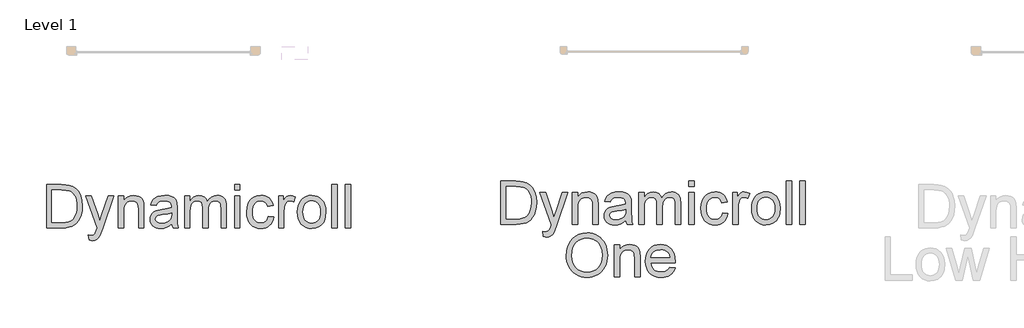
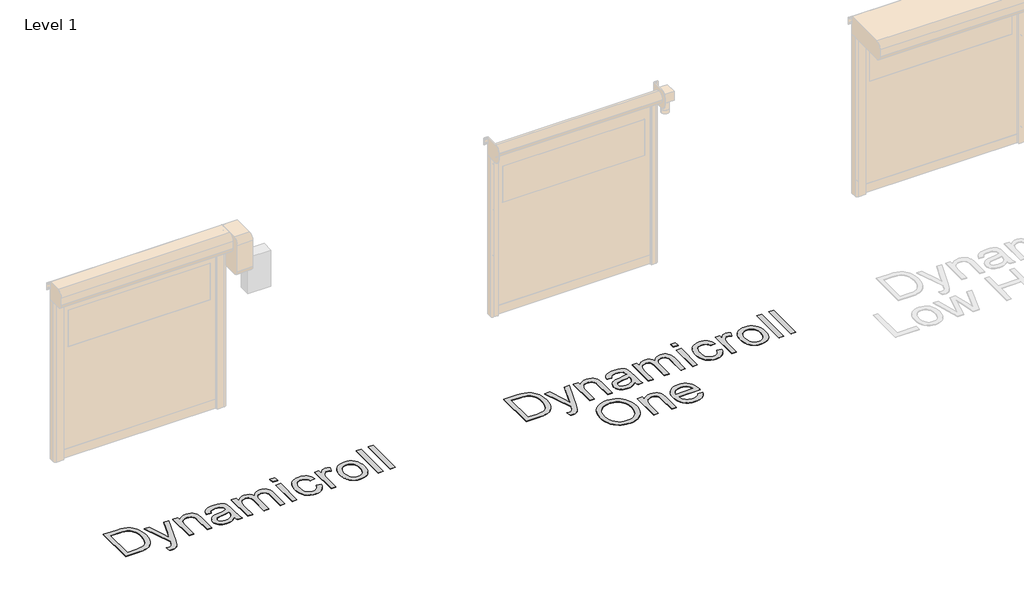
# One storey, part 13 of 18: 2 proxies.
"""IFC4 building model written with IfcOpenShell, lengths in millimetres."""

from ifc_helpers import new_model, si_unit, origin, origin_with_axes, place, context, project, spatial, polyline, outline, extrude, element, save

model = new_model("IFC4")

# Units and contexts
model_context = context("Model", 3, world=origin())
ifc_project = project(units=[si_unit("LENGTHUNIT", "METRE", prefix="MILLI")], contexts=[model_context])

# Site, building, storey
site = spatial("IfcSite", under=ifc_project)
building = spatial("IfcBuilding", under=site)
storey = spatial("IfcBuildingStorey", under=building, Name="Level 1", Elevation=0.0)

# Proxies
placement = place(None, origin())
element("IfcBuildingElementProxy", 1, Name="500mm", ObjectType="500mm", at=placement, inside=storey, context=model_context, shape_type="SweptSolid", body=[
    extrude(outline(polyline([(5402.5904997, 42632.3594673), (5402.5904997, 43134.6410181), (5575.8629195, 43134.6410181), (5627.6423103, 43132.832265), (5665.5034989, 43127.4060055), (5705.5413228, 43113.4571465), (5739.3251526, 43091.4761973), (5757.9415144, 43073.5112932), (5774.0593444, 43053.2164698), (5787.6786424, 43030.5917271), (5798.7994085, 43005.6370651), (5813.6066588, 42949.6576882), (5818.5424089, 42886.198044), (5815.2008142, 42832.2880033), (5805.1760298, 42784.8465543), (5789.908927, 42744.456177), (5770.8403769, 42711.699351), (5748.8900845, 42685.8403124), (5724.9777548, 42666.1432972), (5697.5245609, 42651.5353163), (5664.951676, 42640.9433806), (5627.1977862, 42634.5054457), (5584.201578, 42632.3594673), (5402.5904997, 42632.3594673)]), holes=[polyline([(5465.3756936, 42695.1446612), (5576.4760561, 42695.1446612), (5622.4306487, 42697.4132668), (5657.2874677, 42704.2190837), (5683.5910304, 42715.1635731), (5703.8858538, 42729.8481961), (5725.6981904, 42757.0254785), (5742.0842676, 42792.2041943), (5752.3389782, 42835.5376276), (5755.7572151, 42887.1790627), (5754.0825856, 42923.630037), (5749.0586971, 42955.6051138), (5740.6855496, 42983.1042929), (5728.9631431, 43006.1275744), (5714.8418394, 43025.1961245), (5699.2720004, 43040.8311093), (5682.253626, 43053.0325288), (5663.7867163, 43061.800383), (5627.6729671, 43069.341964), (5574.7592735, 43071.8558243), (5465.3756936, 43071.8558243), (5465.3756936, 42695.1446612)])]), origin_with_axes(), (0.0, 0.0, 1.0), 5.0),
    extrude(outline(polyline([(5897.0239012, 42491.0927812), (5889.175752, 42551.5480557), (5921.0588583, 42546.0298258), (5937.8281459, 42547.7619369), (5950.8572999, 42552.9582701), (5961.0047116, 42561.2509434), (5969.1287723, 42572.2720748), (5986.2965987, 42618.5025789), (5991.201692, 42633.708368), (5857.7831551, 43001.2224812), (5924.0019142, 43001.2224812), (5994.7578846, 42796.4348372), (6019.4059783, 42714.5197796), (6044.054072, 42786.8699053), (6116.7720797, 43001.2224812), (6182.5003295, 43001.2224812), (6054.1095132, 42623.5302995), (6020.754879, 42541.6152419), (6003.679023, 42515.4649634), (5984.3345614, 42497.3467751), (5961.8631029, 42486.7701678), (5935.4062561, 42483.244632), (5917.2267541, 42485.2066693), (5897.0239012, 42491.0927812)])), origin_with_axes(), (0.0, 0.0, 1.0), 5.0),
    extrude(outline(polyline([(6234.4943182, 42632.3594673), (6234.4943182, 43001.2224812), (6297.279512, 43001.2224812), (6297.279512, 42949.7190019), (6319.0918486, 42975.6853393), (6345.2881124, 42994.2327233), (6375.8683032, 43005.3611536), (6410.8324212, 43009.0706304), (6441.780494, 43006.0815892), (6470.1227361, 42997.1144656), (6493.7591543, 42983.2882339), (6510.5897555, 42965.7218686), (6522.0094258, 42944.461355), (6529.413051, 42919.5526782), (6532.7239889, 42858.852149), (6532.7239889, 42632.3594673), (6469.9387951, 42632.3594673), (6469.9387951, 42850.3908632), (6468.1300419, 42882.8564492), (6462.7037825, 42905.9410444), (6452.6943265, 42922.4804058), (6437.1359838, 42935.3102904), (6417.193714, 42943.54165), (6394.0324767, 42946.2854366), (6374.9677588, 42944.7449307), (6357.2596056, 42940.1234131), (6340.9080174, 42932.4208839), (6325.912994, 42921.6373429), (6313.3858456, 42906.5465169), (6304.4378825, 42885.9221325), (6299.0691046, 42859.7641898), (6297.279512, 42828.0726888), (6297.279512, 42632.3594673), (6234.4943182, 42632.3594673)])), origin_with_axes(), (0.0, 0.0, 1.0), 5.0),
    extrude(outline(polyline([(6854.4981074, 42679.4483627), (6824.5003963, 42653.7272799), (6793.6136372, 42636.8966786), (6761.1327227, 42627.6076582), (6726.3525457, 42624.5113181), (6698.3973462, 42626.3737207), (6673.8833761, 42631.9609285), (6652.8106356, 42641.2729415), (6635.1791246, 42654.3097597), (6621.2570903, 42670.2436486), (6611.3127801, 42688.2468738), (6605.346194, 42708.3194351), (6603.357332, 42730.4613327), (6606.3617016, 42756.4889839), (6615.3748105, 42780.1254021), (6629.2776842, 42800.3589118), (6646.9513484, 42816.1778376), (6667.7213527, 42828.1340024), (6690.9132468, 42836.7792293), (6745.2371548, 42846.2215339), (6809.432563, 42856.1543477), (6854.1302254, 42867.8039443), (6854.4981074, 42881.7834601), (6850.1754939, 42909.8038054), (6837.2076536, 42928.1365915), (6824.1325143, 42936.0767112), (6808.2062896, 42941.7482253), (6767.8005838, 42946.2854366), (6730.3992477, 42943.2657385), (6704.279626, 42934.2066444), (6686.4680061, 42917.4526852), (6673.9906751, 42891.348392), (6611.2054812, 42899.1965412), (6622.1039853, 42933.5321941), (6638.3674352, 42960.510207), (6661.5133441, 42981.1422556), (6693.0592251, 42996.4400152), (6731.6408494, 43005.9129766), (6775.8939877, 43009.0706304), (6818.3383729, 43006.2808586), (6851.9842471, 42997.9115432), (6877.3527763, 42985.3269133), (6894.9651268, 42969.8911979), (6906.6453802, 42950.8073194), (6914.2176179, 42927.2782001), (6917.2833012, 42872.3411555), (6917.2833012, 42794.2275452), (6920.4716118, 42685.1505337), (6925.1927641, 42658.1878491), (6932.9795997, 42632.3594673), (6870.1944058, 42632.3594673), (6860.1389646, 42654.1871324), (6854.4981074, 42679.4483627)]), holes=[polyline([(6854.4981074, 42805.0187504), (6812.3143052, 42794.5647704), (6753.2079314, 42785.7662593), (6699.1905917, 42775.5881908), (6685.1344338, 42768.6290897), (6674.7264391, 42759.033501), (6668.2885041, 42747.5371887), (6666.1425258, 42734.8759167), (6670.8176929, 42716.2059054), (6684.8431939, 42700.9081458), (6707.9124607, 42690.6994204), (6739.7189249, 42687.296512), (6773.4414411, 42691.051974), (6803.2398827, 42702.3183601), (6827.397467, 42718.9190351), (6844.1974115, 42738.677364), (6851.6470219, 42759.033501), (6854.1302254, 42787.2377873), (6854.4981074, 42805.0187504)])]), origin_with_axes(), (0.0, 0.0, 1.0), 5.0),
    extrude(outline(polyline([(7003.6129427, 42632.3594673), (7003.6129427, 43001.2224812), (7066.3981366, 43001.2224812), (7066.3981366, 42940.521952), (7085.2827457, 42968.4043415), (7109.5629574, 42990.247335), (7138.4110371, 43004.3648066), (7170.9992505, 43009.0706304), (7205.9173833, 43004.2728361), (7233.9070717, 42989.879453), (7254.8150318, 42966.840843), (7268.4879793, 42936.107368), (7291.373305, 42968.0287953), (7317.4775983, 42990.8298148), (7346.800859, 43004.5104265), (7379.3430871, 43009.0706304), (7404.477858, 43007.1737389), (7426.5392814, 43001.4830643), (7445.5273573, 42991.9986066), (7461.4420857, 42978.7203658), (7474.0228836, 42961.4950578), (7483.0091677, 42940.1693984), (7488.4009382, 42914.7433876), (7490.198195, 42885.2170254), (7490.198195, 42632.3594673), (7427.4130012, 42632.3594673), (7427.4130012, 42858.2390124), (7425.9568016, 42889.5549672), (7421.5882029, 42910.6621967), (7413.4028285, 42925.1168934), (7400.4963019, 42936.47525), (7383.8956268, 42943.8328899), (7364.6278073, 42946.2854366), (7346.8353479, 42944.7142739), (7330.6140512, 42940.0007858), (7315.9639172, 42932.1449724), (7302.8849458, 42921.1468336), (7292.1282296, 42906.6844726), (7284.4448608, 42888.4359928), (7279.8348396, 42866.4013942), (7278.2981658, 42840.5806766), (7278.2981658, 42632.3594673), (7215.512972, 42632.3594673), (7215.512972, 42865.2287703), (7211.8801373, 42900.7293828), (7200.9816332, 42926.0519268), (7192.5548362, 42934.9040873), (7181.8057842, 42941.2270591), (7153.3409148, 42946.2854366), (7129.1526736, 42942.9131849), (7106.8651561, 42932.7964301), (7088.4710563, 42916.1804266), (7075.9630685, 42893.3104293), (7068.7893696, 42861.5806072), (7066.3981366, 42818.3851296), (7066.3981366, 42632.3594673), (7003.6129427, 42632.3594673)])), origin_with_axes(), (0.0, 0.0, 1.0), 5.0),
    extrude(outline(polyline([(7584.3759858, 43071.8558243), (7584.3759858, 43134.6410181), (7647.1611796, 43134.6410181), (7647.1611796, 43071.8558243), (7584.3759858, 43071.8558243)])), origin_with_axes(), (0.0, 0.0, 1.0), 5.0),
    extrude(outline(polyline([(7584.3759858, 42632.3594673), (7584.3759858, 43001.2224812), (7647.1611796, 43001.2224812), (7647.1611796, 42632.3594673), (7584.3759858, 42632.3594673)])), origin_with_axes(), (0.0, 0.0, 1.0), 5.0),
    extrude(outline(polyline([(7976.7834473, 42765.7780043), (8039.5686412, 42757.929855), (8032.7398316, 42728.3038581), (8022.0635896, 42702.0884338), (8007.539915, 42679.2835823), (7989.1688078, 42659.8893033), (7967.7243532, 42644.4114348), (7943.9806361, 42633.3558144), (7917.9376565, 42626.7224422), (7889.5954145, 42624.5113181), (7854.3822097, 42627.5961619), (7822.8095039, 42636.8506934), (7794.877297, 42652.2749124), (7770.585589, 42673.8688191), (7750.9230628, 42701.2262104), (7736.8784012, 42733.9408833), (7728.4516043, 42772.0128377), (7725.6426719, 42815.4420736), (7730.4404663, 42871.3141516), (7744.8338494, 42919.7366192), (7755.6863682, 42940.6867325), (7769.0527474, 42958.8394096), (7784.9329868, 42974.1946508), (7803.3270866, 42986.752456), (7844.3306006, 43003.4910868), (7888.7370231, 43009.0706304), (7916.592588, 43007.1545783), (7941.7886725, 43001.4064222), (7964.3252768, 42991.8261619), (7984.2024009, 42978.4137975), (8001.0828195, 42961.4758973), (8014.6293076, 42941.3190296), (8024.841865, 42917.9431945), (8031.7204919, 42891.348392), (7968.9352981, 42883.5002427), (7957.5462846, 42910.8921229), (7939.8113068, 42930.5278244), (7916.7113832, 42942.3460335), (7889.2275325, 42946.2854366), (7867.8942088, 42944.3463919), (7848.6532141, 42938.5292578), (7831.5045482, 42928.8340344), (7816.4482111, 42915.2607216), (7804.18931, 42897.495087), (7795.4329521, 42875.2228978), (7790.1791374, 42848.4441543), (7788.4278658, 42817.1588563), (7790.1408163, 42785.4022094), (7795.2796679, 42758.3130654), (7803.8444206, 42735.8914243), (7815.8350744, 42718.1372859), (7830.5925074, 42704.6444473), (7847.4575976, 42695.0067054), (7866.4303451, 42689.2240603), (7887.5107498, 42687.296512), (7920.0223211, 42692.1096347), (7946.6784374, 42706.549003), (7957.4581463, 42717.4704998), (7966.0688842, 42730.9824989), (7976.7834473, 42765.7780043)])), origin_with_axes(), (0.0, 0.0, 1.0), 5.0),
    extrude(outline(polyline([(8094.5056858, 42632.3594673), (8094.5056858, 43001.2224812), (8149.4427304, 43001.2224812), (8149.4427304, 42946.6533186), (8169.7375538, 42978.2911701), (8188.4382219, 42996.9305246), (8207.2002036, 43006.0356039), (8227.678968, 43009.0706304), (8258.9489376, 43004.2268508), (8290.7094165, 42989.695512), (8269.7401428, 42933.4095667), (8247.6672231, 42943.0664691), (8225.5943034, 42946.2854366), (8206.84765, 42943.1890964), (8190.0936909, 42933.9000761), (8176.5586991, 42919.1234826), (8167.4689481, 42899.5644232), (8159.8353967, 42864.4930063), (8157.2908796, 42826.2332788), (8157.2908796, 42632.3594673), (8094.5056858, 42632.3594673)])), origin_with_axes(), (0.0, 0.0, 1.0), 5.0),
    extrude(outline(polyline([(8314.2538642, 42816.7909743), (8317.6491085, 42864.5619842), (8327.8348412, 42905.7264466), (8344.8110624, 42940.2843615), (8368.5777722, 42968.2357289), (8392.5054303, 42986.1009983), (8418.9162919, 42998.861905), (8447.8103569, 43006.5184491), (8479.1876254, 43009.0706304), (8513.8260145, 43005.962794), (8545.1458014, 42996.6392847), (8573.1469862, 42981.1001025), (8597.8295688, 42959.3452474), (8617.9749402, 42932.1104834), (8632.3644911, 42900.1315746), (8640.9982217, 42863.4085208), (8643.8761319, 42821.9413222), (8638.7870976, 42758.5123349), (8632.4258048, 42732.4770195), (8623.5199948, 42710.227823), (8612.1807988, 42691.0098208), (8598.5193476, 42674.0680885), (8582.5356413, 42659.4026261), (8564.2296799, 42647.0134335), (8523.5020774, 42630.136847), (8479.1876254, 42624.5113181), (8444.0433985, 42627.6076582), (8412.4323717, 42636.8966786), (8384.3545448, 42652.3783793), (8359.809918, 42674.0527601), (8339.8791444, 42701.5519393), (8325.6428777, 42734.5080347), (8317.1011176, 42772.9210463), (8314.2538642, 42816.7909743)]), holes=[polyline([(8377.0390581, 42816.9136016), (8378.8554754, 42786.4598702), (8384.3047275, 42760.0911618), (8393.3868142, 42737.8074763), (8406.1017357, 42719.6088139), (8421.5681079, 42705.4721818), (8438.9045469, 42695.3745874), (8458.1110528, 42689.3160308), (8479.1876254, 42687.296512), (8500.1568991, 42689.3275271), (8519.2867629, 42695.4205727), (8536.5772166, 42705.5756486), (8552.0282604, 42719.7927549), (8564.7431819, 42738.1715262), (8573.8252687, 42760.8115973), (8579.2745207, 42787.7129682), (8581.0909381, 42818.8756389), (8579.2630244, 42848.3636801), (8573.7792834, 42874.0426098), (8564.6397151, 42895.912428), (8551.8443194, 42913.9731347), (8536.3357941, 42928.1097667), (8519.0568366, 42938.2073611), (8500.0074471, 42944.2659177), (8479.1876254, 42946.2854366), (8458.1110528, 42944.2735819), (8438.9045469, 42938.2380179), (8421.5681079, 42928.1787446), (8406.1017357, 42914.095762), (8393.3868142, 42895.950749), (8384.3047275, 42873.7053846), (8378.8554754, 42847.3596688), (8377.0390581, 42816.9136016)])]), origin_with_axes(), (0.0, 0.0, 1.0), 5.0),
    extrude(outline(polyline([(8714.509475, 42632.3594673), (8714.509475, 43134.6410181), (8777.2946688, 43134.6410181), (8777.2946688, 42632.3594673), (8714.509475, 42632.3594673)])), origin_with_axes(), (0.0, 0.0, 1.0), 5.0),
    extrude(outline(polyline([(8871.4724596, 42632.3594673), (8871.4724596, 43134.6410181), (8934.2576534, 43134.6410181), (8934.2576534, 42632.3594673), (8871.4724596, 42632.3594673)])), origin_with_axes(), (0.0, 0.0, 1.0), 5.0),
    extrude(outline(polyline([(6163.8609751, 42267.0042776), (6168.0456328, 42325.9190463), (6180.5996059, 42378.0739833), (6201.5228943, 42423.4690887), (6230.8154982, 42462.1043624), (6266.7223138, 42492.9528005), (6307.4882374, 42514.9873992), (6353.113269, 42528.2081584), (6403.5974086, 42532.6150781), (6437.3889027, 42530.5457419), (6469.4789426, 42524.3377332), (6499.8675282, 42513.9910521), (6528.5546596, 42499.5056985), (6554.735595, 42481.3185324), (6577.6055923, 42459.8664136), (6597.1646517, 42435.149342), (6613.4127732, 42407.1673177), (6626.1813441, 42376.5564701), (6635.3017519, 42343.9529282), (6640.7739966, 42309.3566923), (6642.5980781, 42272.7677622), (6640.678194, 42235.695987), (6634.9185415, 42200.6322343), (6625.3191207, 42167.5765042), (6611.8799315, 42136.5287966), (6594.9190387, 42108.3091819), (6574.7545069, 42083.7377303), (6551.386336, 42062.8144418), (6524.814526, 42045.5393165), (6496.0852415, 42032.0196532), (6466.2446467, 42022.3627508), (6435.2927418, 42016.5686094), (6403.2295266, 42014.6372289), (6368.8478885, 42016.7717109), (6336.3363172, 42023.1751569), (6305.6948126, 42033.8475668), (6276.9233749, 42048.7889408), (6250.7730964, 42067.420631), (6227.9950696, 42089.1639897), (6208.5892943, 42114.019017), (6192.5557707, 42141.9857129), (6180.0017976, 42171.9412708), (6171.034674, 42202.7628842), (6165.6543998, 42234.4505531), (6163.8609751, 42267.0042776)]), holes=[polyline([(6226.6461689, 42266.3911409), (6229.7846622, 42224.766826), (6239.200142, 42187.8176781), (6254.8926084, 42155.5436973), (6276.8620613, 42127.9448834), (6303.5679949, 42105.8413069), (6333.4699033, 42090.0530379), (6366.5677865, 42080.5800765), (6402.8616446, 42077.4224227), (6439.7763036, 42080.6107334), (6473.2650614, 42090.1756652), (6503.3279182, 42106.1172184), (6529.9648739, 42128.4353927), (6551.7733785, 42156.6166864), (6567.3508817, 42190.1475974), (6576.6973836, 42229.0281258), (6579.8128843, 42273.2582715), (6574.4785954, 42328.8391096), (6558.4757286, 42376.8783668), (6546.5770453, 42397.7671663), (6532.2181512, 42416.1650982), (6515.3990462, 42432.0721624), (6496.1197304, 42445.4883589), (6474.978012, 42456.1377762), (6452.5716992, 42463.7445029), (6428.9007921, 42468.3085389), (6403.9652906, 42469.8298843), (6368.9321948, 42466.8983246), (6336.4282877, 42458.1036457), (6306.4535693, 42443.4458474), (6279.0080396, 42422.9249299), (6256.0997212, 42395.5522102), (6239.7366366, 42360.3390054), (6229.9187858, 42317.2853157), (6226.6461689, 42266.3911409)])]), origin_with_axes(), (0.0, 0.0, 1.0), 5.0),
    extrude(outline(polyline([(6721.0795704, 42022.4853781), (6721.0795704, 42391.348392), (6783.8647643, 42391.348392), (6783.8647643, 42339.8449126), (6805.6771009, 42365.8112501), (6831.8733647, 42384.358634), (6862.4535555, 42395.4870644), (6897.4176735, 42399.1965412), (6928.3657463, 42396.2075), (6956.7079884, 42387.2403763), (6980.3444065, 42373.4141447), (6997.1750078, 42355.8477794), (7008.5946781, 42334.5872658), (7015.9983032, 42309.678589), (7019.3092412, 42248.9780598), (7019.3092412, 42022.4853781), (6956.5240474, 42022.4853781), (6956.5240474, 42240.5167739), (6954.7152942, 42272.98236), (6949.2890348, 42296.0669552), (6939.2795788, 42312.6063166), (6923.7212361, 42325.4362011), (6903.7789663, 42333.6675608), (6880.617729, 42336.4113473), (6861.553011, 42334.8708415), (6843.8448579, 42330.2493239), (6827.4932697, 42322.5467946), (6812.4982462, 42311.7632537), (6799.9710979, 42296.6724277), (6791.0231348, 42276.0480433), (6785.6543569, 42249.8901006), (6783.8647643, 42218.1985996), (6783.8647643, 42022.4853781), (6721.0795704, 42022.4853781)])), origin_with_axes(), (0.0, 0.0, 1.0), 5.0),
    extrude(outline(polyline([(7363.8920433, 42132.3594673), (7425.4509639, 42124.5113181), (7416.0124914, 42099.8555602), (7403.2707452, 42078.1275299), (7387.2257253, 42059.3272271), (7367.8774316, 42043.4546518), (7345.4251336, 42030.8470293), (7320.0681007, 42021.8415846), (7291.8063328, 42016.4383178), (7260.63983, 42014.6372289), (7221.6826596, 42017.7450653), (7186.9714605, 42027.0685746), (7156.5062328, 42042.6077568), (7130.2869764, 42064.3626119), (7109.2027396, 42091.7276674), (7094.1425704, 42124.0974509), (7085.1064689, 42161.4719623), (7082.094435, 42203.8512017), (7085.1371257, 42247.6674802), (7094.2651977, 42286.2874255), (7109.4786511, 42319.7110376), (7130.7774857, 42347.9383165), (7156.9277642, 42370.3637898), (7186.695549, 42386.381985), (7220.0808401, 42395.9929021), (7257.0836374, 42399.1965412), (7292.8946504, 42396.0005663), (7325.2797623, 42386.4126418), (7354.2389731, 42370.4327677), (7379.7722828, 42348.0609439), (7400.6150971, 42319.8949786), (7415.5028216, 42286.5326802), (7424.4354563, 42247.9740485), (7427.4130012, 42204.2190837), (7427.0451192, 42187.296512), (7144.8796289, 42187.296512), (7148.5162957, 42162.2422152), (7155.7474762, 42140.2995871), (7166.5731703, 42121.4686274), (7180.9933781, 42105.7493364), (7198.2110219, 42093.3563116), (7217.429024, 42084.5041511), (7238.6473845, 42079.1928548), (7261.8661034, 42077.4224227), (7295.2820512, 42080.7027039), (7323.4250239, 42090.5435472), (7346.2950212, 42107.5580895), (7363.8920433, 42132.3594673)]), holes=[polyline([(7144.8796289, 42250.0817058), (7364.6278073, 42250.0817058), (7356.1358646, 42283.252399), (7339.4892043, 42306.9807877), (7322.3673631, 42319.8566576), (7302.8849458, 42329.0537074), (7281.0419524, 42334.5719374), (7256.8383828, 42336.4113473), (7214.5166249, 42330.5405638), (7196.1033646, 42323.2020844), (7179.5218501, 42312.9282133), (7165.6074801, 42300.1941313), (7155.1956532, 42285.4750194), (7148.2863694, 42268.7708776), (7144.8796289, 42250.0817058)])]), origin_with_axes(), (0.0, 0.0, 1.0), 5.0),
])
element("IfcBuildingElementProxy", 2, Name="500mm", ObjectType="500mm", at=placement, inside=storey, context=model_context, shape_type="SweptSolid", body=[
    extrude(outline(polyline([(132.2974666, 42591.1035648), (132.2974666, 43093.3851155), (305.5698863, 43093.3851155), (357.3492772, 43091.5763624), (395.2104658, 43086.150103), (435.2482896, 43072.201244), (469.0321195, 43050.2202948), (487.6484813, 43032.2553907), (503.7663112, 43011.9605673), (517.3856093, 42989.3358246), (528.5063754, 42964.3811626), (543.3136257, 42908.4017856), (548.2493758, 42844.9421415), (544.907781, 42791.0321008), (534.8829967, 42743.5906518), (519.6158939, 42703.2002744), (500.5473438, 42670.4434484), (478.5970514, 42644.5844098), (454.6847217, 42624.8873947), (427.2315278, 42610.2794138), (394.6586428, 42599.687478), (356.9047531, 42593.2495431), (313.9085449, 42591.1035648), (132.2974666, 42591.1035648)]), holes=[polyline([(195.0826604, 42653.8887586), (306.183023, 42653.8887586), (352.1376156, 42656.1573643), (386.9944346, 42662.9631812), (413.2979973, 42673.9076705), (433.5928207, 42688.5922935), (455.4051573, 42715.7695759), (471.7912345, 42750.9482917), (482.0459451, 42794.2817251), (485.464182, 42845.9231601), (483.7895525, 42882.3741345), (478.765664, 42914.3492112), (470.3925165, 42941.8483904), (458.67011, 42964.8716719), (444.5488063, 42983.940222), (428.9789673, 42999.5752068), (411.9605929, 43011.7766263), (393.4936832, 43020.5444805), (357.379934, 43028.0860614), (304.4662403, 43030.5999217), (195.0826604, 43030.5999217), (195.0826604, 42653.8887586)])]), origin_with_axes(), (0.0, 0.0, 1.0), 5.0),
    extrude(outline(polyline([(626.7308681, 42449.8368787), (618.8827189, 42510.2921532), (650.7658251, 42504.7739233), (667.5351128, 42506.5060343), (680.5642668, 42511.7023675), (690.7116785, 42519.9950408), (698.8357392, 42531.0161723), (716.0035656, 42577.2466763), (720.9086589, 42592.4524654), (587.490122, 42959.9665786), (653.7088811, 42959.9665786), (724.4648515, 42755.1789346), (749.1129452, 42673.2638771), (773.7610389, 42745.6140028), (846.4790466, 42959.9665786), (912.2072964, 42959.9665786), (783.8164801, 42582.2743969), (750.4618458, 42500.3593393), (733.3859899, 42474.2090608), (714.0415283, 42456.0908726), (691.5700698, 42445.5142652), (665.113223, 42441.9887294), (646.933721, 42443.9507667), (626.7308681, 42449.8368787)])), origin_with_axes(), (0.0, 0.0, 1.0), 5.0),
    extrude(outline(polyline([(964.201285, 42591.1035648), (964.201285, 42959.9665786), (1026.9864789, 42959.9665786), (1026.9864789, 42908.4630993), (1048.7988155, 42934.4294368), (1074.9950792, 42952.9768207), (1105.5752701, 42964.1052511), (1140.5393881, 42967.8147279), (1171.4874609, 42964.8256867), (1199.8297029, 42955.858563), (1223.4661211, 42942.0323314), (1240.2967224, 42924.4659661), (1251.7163927, 42903.2054525), (1259.1200178, 42878.2967757), (1262.4309558, 42817.5962465), (1262.4309558, 42591.1035648), (1199.6457619, 42591.1035648), (1199.6457619, 42809.1349606), (1197.8370088, 42841.6005467), (1192.4107494, 42864.6851419), (1182.4012934, 42881.2245032), (1166.8429507, 42894.0543878), (1146.9006809, 42902.2857475), (1123.7394436, 42905.029534), (1104.6747256, 42903.4890282), (1086.9665725, 42898.8675106), (1070.6149842, 42891.1649813), (1055.6199608, 42880.3814403), (1043.0928125, 42865.2906143), (1034.1448494, 42844.66623), (1028.7760715, 42818.5082873), (1026.9864789, 42786.8167862), (1026.9864789, 42591.1035648), (964.201285, 42591.1035648)])), origin_with_axes(), (0.0, 0.0, 1.0), 5.0),
    extrude(outline(polyline([(1584.2050742, 42638.1924602), (1554.2073632, 42612.4713774), (1523.320604, 42595.6407761), (1490.8396895, 42586.3517557), (1456.0595126, 42583.2554156), (1428.1043131, 42585.1178182), (1403.590343, 42590.705026), (1382.5176025, 42600.017039), (1364.8860914, 42613.0538572), (1350.9640572, 42628.9877461), (1341.019747, 42646.9909712), (1335.0531609, 42667.0635326), (1333.0642989, 42689.2054302), (1336.0686685, 42715.2330813), (1345.0817774, 42738.8694995), (1358.9846511, 42759.1030093), (1376.6583153, 42774.9219351), (1397.4283196, 42786.8780999), (1420.6202137, 42795.5233268), (1474.9441217, 42804.9656313), (1539.1395298, 42814.8984452), (1583.8371922, 42826.5480417), (1584.2050742, 42840.5275575), (1579.8824608, 42868.5479028), (1566.9146205, 42886.8806889), (1553.8394812, 42894.8208087), (1537.9132565, 42900.4923227), (1497.5075507, 42905.029534), (1460.1062145, 42902.009836), (1433.9865929, 42892.9507418), (1416.1749729, 42876.1967826), (1403.6976419, 42850.0924894), (1340.9124481, 42857.9406386), (1351.8109522, 42892.2762915), (1368.0744021, 42919.2543045), (1391.2203109, 42939.8863531), (1422.766192, 42955.1841127), (1461.3478163, 42964.6570741), (1505.6009546, 42967.8147279), (1548.0453398, 42965.0249561), (1581.6912139, 42956.6556407), (1607.0597432, 42944.0710108), (1624.6720937, 42928.6352954), (1636.3523471, 42909.5514169), (1643.9245848, 42886.0222976), (1646.9902681, 42831.085253), (1646.9902681, 42752.9716427), (1650.1785787, 42643.8946311), (1654.899731, 42616.9319465), (1662.6865665, 42591.1035648), (1599.9013727, 42591.1035648), (1589.8459315, 42612.9312298), (1584.2050742, 42638.1924602)]), holes=[polyline([(1584.2050742, 42763.7628479), (1542.0212721, 42753.3088678), (1482.9148982, 42744.5103568), (1428.8975586, 42734.3322883), (1414.8414007, 42727.3731872), (1404.4334059, 42717.7775985), (1397.995471, 42706.2812861), (1395.8494927, 42693.6200141), (1400.5246597, 42674.9500029), (1414.5501608, 42659.6522432), (1437.6194276, 42649.4435179), (1469.4258917, 42646.0406094), (1503.148408, 42649.7960714), (1532.9468496, 42661.0624575), (1557.1044339, 42677.6631326), (1573.9043784, 42697.4214614), (1581.3539888, 42717.7775985), (1583.8371922, 42745.9818848), (1584.2050742, 42763.7628479)])]), origin_with_axes(), (0.0, 0.0, 1.0), 5.0),
    extrude(outline(polyline([(1733.3199096, 42591.1035648), (1733.3199096, 42959.9665786), (1796.1051035, 42959.9665786), (1796.1051035, 42899.2660494), (1814.9897125, 42927.148439), (1839.2699242, 42948.9914324), (1868.118004, 42963.108904), (1900.7062174, 42967.8147279), (1935.6243501, 42963.0169335), (1963.6140386, 42948.6235504), (1984.5219987, 42925.5849405), (1998.1949461, 42894.8514655), (2021.0802719, 42926.7728928), (2047.1845652, 42949.5739123), (2076.5078259, 42963.254524), (2109.050054, 42967.8147279), (2134.1848249, 42965.9178363), (2156.2462483, 42960.2271617), (2175.2343242, 42950.742704), (2191.1490526, 42937.4644633), (2203.7298504, 42920.2391553), (2212.7161346, 42898.9134958), (2218.1079051, 42873.487485), (2219.9051619, 42843.9611228), (2219.9051619, 42591.1035648), (2157.1199681, 42591.1035648), (2157.1199681, 42816.9831098), (2155.6637685, 42848.2990647), (2151.2951698, 42869.4062942), (2143.1097954, 42883.8609909), (2130.2032687, 42895.2193475), (2113.6025937, 42902.5769874), (2094.3347742, 42905.029534), (2076.5423148, 42903.4583713), (2060.3210181, 42898.7448833), (2045.670884, 42890.8890698), (2032.5919127, 42879.890931), (2021.8351964, 42865.4285701), (2014.1518277, 42847.1800903), (2009.5418064, 42825.1454916), (2008.0051327, 42799.3247741), (2008.0051327, 42591.1035648), (1945.2199388, 42591.1035648), (1945.2199388, 42823.9728677), (1941.5871041, 42859.4734803), (1930.6886, 42884.7960243), (1922.2618031, 42893.6481848), (1911.512751, 42899.9711566), (1883.0478817, 42905.029534), (1858.8596405, 42901.6572824), (1836.5721229, 42891.5405275), (1818.1780232, 42874.9245241), (1805.6700353, 42852.0545267), (1798.4963364, 42820.3247046), (1796.1051035, 42777.129227), (1796.1051035, 42591.1035648), (1733.3199096, 42591.1035648)])), origin_with_axes(), (0.0, 0.0, 1.0), 5.0),
    extrude(outline(polyline([(2314.0829527, 43030.5999217), (2314.0829527, 43093.3851155), (2376.8681465, 43093.3851155), (2376.8681465, 43030.5999217), (2314.0829527, 43030.5999217)])), origin_with_axes(), (0.0, 0.0, 1.0), 5.0),
    extrude(outline(polyline([(2314.0829527, 42591.1035648), (2314.0829527, 42959.9665786), (2376.8681465, 42959.9665786), (2376.8681465, 42591.1035648), (2314.0829527, 42591.1035648)])), origin_with_axes(), (0.0, 0.0, 1.0), 5.0),
    extrude(outline(polyline([(2706.4904142, 42724.5221017), (2769.275608, 42716.6739525), (2762.4467985, 42687.0479556), (2751.7705564, 42660.8325313), (2737.2468818, 42638.0276797), (2718.8757747, 42618.6334008), (2697.4313201, 42603.1555322), (2673.687603, 42592.0999119), (2647.6446234, 42585.4665396), (2619.3023813, 42583.2554156), (2584.0891766, 42586.3402594), (2552.5164708, 42595.5947908), (2524.5842639, 42611.0190099), (2500.2925559, 42632.6129166), (2480.6300297, 42659.9703079), (2466.5853681, 42692.6849807), (2458.1585711, 42730.7569351), (2455.3496388, 42774.1861711), (2460.1474332, 42830.0582491), (2474.5408162, 42878.4807167), (2485.3933351, 42899.4308299), (2498.7597142, 42917.5835071), (2514.6399537, 42932.9387483), (2533.0340535, 42945.4965535), (2574.0375675, 42962.2351843), (2618.44399, 42967.8147279), (2646.2995548, 42965.8986758), (2671.4956394, 42960.1505196), (2694.0322437, 42950.5702593), (2713.9093678, 42937.1578949), (2730.7897864, 42920.2199947), (2744.3362744, 42900.0631271), (2754.5488319, 42876.687292), (2761.4274588, 42850.0924894), (2698.642265, 42842.2443402), (2687.2532515, 42869.6362204), (2669.5182737, 42889.2719219), (2646.4183501, 42901.090131), (2618.9344993, 42905.029534), (2597.6011757, 42903.0904893), (2578.360181, 42897.2733553), (2561.211515, 42887.5781319), (2546.155178, 42874.0048191), (2533.8962769, 42856.2391844), (2525.139919, 42833.9669953), (2519.8861042, 42807.1882517), (2518.1348327, 42775.9029537), (2519.8477832, 42744.1463069), (2524.9866348, 42717.0571629), (2533.5513875, 42694.6355217), (2545.5420413, 42676.8813833), (2560.2994743, 42663.3885447), (2577.1645645, 42653.7508029), (2596.1373119, 42647.9681578), (2617.2177167, 42646.0406094), (2649.729288, 42650.8537322), (2676.3854043, 42665.2931005), (2687.1651131, 42676.2145972), (2695.7758511, 42689.7265963), (2706.4904142, 42724.5221017)])), origin_with_axes(), (0.0, 0.0, 1.0), 5.0),
    extrude(outline(polyline([(2824.2126526, 42591.1035648), (2824.2126526, 42959.9665786), (2879.1496973, 42959.9665786), (2879.1496973, 42905.397416), (2899.4445207, 42937.0352676), (2918.1451887, 42955.674622), (2936.9071705, 42964.7797014), (2957.3859349, 42967.8147279), (2988.6559045, 42962.9709483), (3020.4163834, 42948.4396094), (2999.4471097, 42892.1536642), (2977.37419, 42901.8105666), (2955.3012703, 42905.029534), (2936.5546169, 42901.9331939), (2919.8006577, 42892.6441735), (2906.265666, 42877.86758), (2897.175915, 42858.3085206), (2889.5423636, 42823.2371038), (2886.9978465, 42784.9773763), (2886.9978465, 42591.1035648), (2824.2126526, 42591.1035648)])), origin_with_axes(), (0.0, 0.0, 1.0), 5.0),
    extrude(outline(polyline([(3043.9608311, 42775.5350717), (3047.3560753, 42823.3060816), (3057.5418081, 42864.470544), (3074.5180293, 42899.028459), (3098.2847391, 42926.9798264), (3122.2123972, 42944.8450958), (3148.6232587, 42957.6060025), (3177.5173238, 42965.2625465), (3208.8945923, 42967.8147279), (3243.5329814, 42964.7068914), (3274.8527683, 42955.3833821), (3302.8539531, 42939.8441999), (3327.5365357, 42918.0893448), (3347.6819071, 42890.8545809), (3362.071458, 42858.875672), (3370.7051886, 42822.1526183), (3373.5830988, 42780.6854196), (3368.4940645, 42717.2564323), (3362.1327717, 42691.2211169), (3353.2269617, 42668.9719204), (3341.8877656, 42649.7539183), (3328.2263145, 42632.812186), (3312.2426082, 42618.1467235), (3293.9366468, 42605.7575309), (3253.2090443, 42588.8809444), (3208.8945923, 42583.2554156), (3173.7503654, 42586.3517557), (3142.1393386, 42595.6407761), (3114.0615117, 42611.1224767), (3089.5168848, 42632.7968576), (3069.5861113, 42660.2960367), (3055.3498445, 42693.2521321), (3046.8080845, 42731.6651438), (3043.9608311, 42775.5350717)]), holes=[polyline([(3106.7460249, 42775.657699), (3108.5624423, 42745.2039676), (3114.0116943, 42718.8352592), (3123.0937811, 42696.5515738), (3135.8087026, 42678.3529113), (3151.2750748, 42664.2162792), (3168.6115138, 42654.1186849), (3187.8180196, 42648.0601283), (3208.8945923, 42646.0406094), (3229.863866, 42648.0716246), (3248.9937297, 42654.1646701), (3266.2841835, 42664.319746), (3281.7352273, 42678.5368523), (3294.4501488, 42696.9156237), (3303.5322355, 42719.5556948), (3308.9814876, 42746.4570657), (3310.7979049, 42777.6197364), (3308.9699913, 42807.1077775), (3303.4862503, 42832.7867072), (3294.346682, 42854.6565254), (3281.5512863, 42872.7172321), (3266.042761, 42886.8538642), (3248.7638035, 42896.9514585), (3229.7144139, 42903.0100151), (3208.8945923, 42905.029534), (3187.8180196, 42903.0176794), (3168.6115138, 42896.9821154), (3151.2750748, 42886.9228421), (3135.8087026, 42872.8398594), (3123.0937811, 42854.6948464), (3114.0116943, 42832.4494821), (3108.5624423, 42806.1037663), (3106.7460249, 42775.657699)])]), origin_with_axes(), (0.0, 0.0, 1.0), 5.0),
    extrude(outline(polyline([(3444.2164419, 42591.1035648), (3444.2164419, 43093.3851155), (3507.0016357, 43093.3851155), (3507.0016357, 42591.1035648), (3444.2164419, 42591.1035648)])), origin_with_axes(), (0.0, 0.0, 1.0), 5.0),
    extrude(outline(polyline([(3601.1794265, 42591.1035648), (3601.1794265, 43093.3851155), (3663.9646203, 43093.3851155), (3663.9646203, 42591.1035648), (3601.1794265, 42591.1035648)])), origin_with_axes(), (0.0, 0.0, 1.0), 5.0),
])

save(model, "model.ifc")
